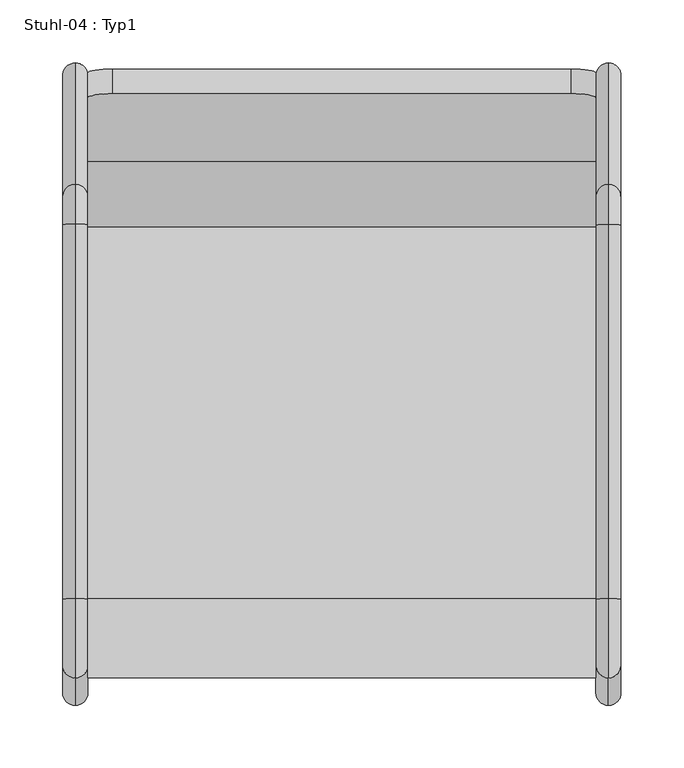
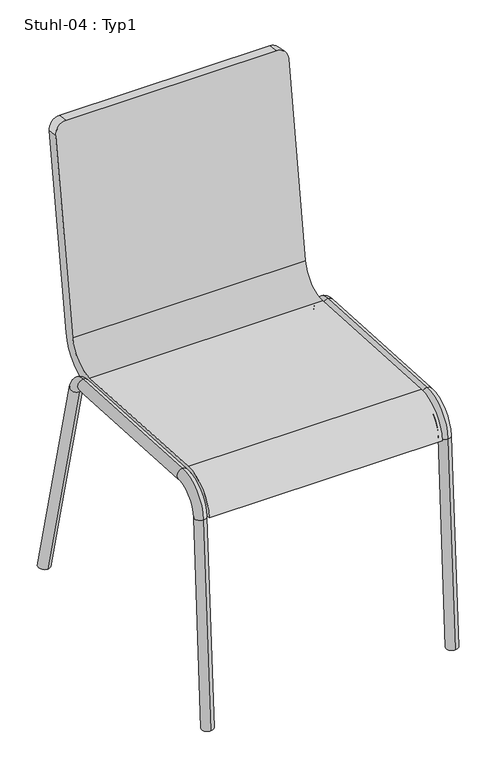
"""IFC4 building model written with IfcOpenShell, lengths in millimetres: furniture geometry, Stuhl-04 : Typ1."""

from ifc_helpers import new_model, si_unit, point, frame, origin, place, context, project, spatial, polyline, circle_curve, ellipse_curve, trimmed, source, transform, mapped, element, save
from ifc_brep_helpers import plane_surface, cylinder_surface, revolved_surface, advanced_brep


def stuhl_04_typ1_6c77dc19(model_context):
    return source(origin(), model_context, "Body", "AdvancedBrep", [
        advanced_brep(
        [(-149.6053, -105.450673, 414.5657988), (-149.6053, -401.4919152, 431.792335), (-149.6053, -464.8760744, 375.3791418), (-149.6053, -444.909849, 374.2173141), (-149.6053, -402.6537429, 411.8261096), (-149.6053, -106.6125007, 394.5995734), (-149.6053, -33.3149934, 454.1347035), (-149.6053, 17.5412109, 794.4215124), (-149.6053, -2.2391064, 797.3777006), (-149.6053, -53.0953107, 457.0908917), (-554.6053, -105.450673, 414.5657988), (-554.6053, -53.0953107, 457.0908917), (-554.6053, -2.2391064, 797.3777006), (-554.6053, 17.5412109, 794.4215124), (-554.6053, -33.3149934, 454.1347035), (-554.6053, -106.6125007, 394.5995734), (-554.6053, -402.6537429, 411.8261096), (-554.6053, -444.909849, 374.2173141), (-554.6053, -464.8760744, 375.3791418), (-554.6053, -401.4919152, 431.792335), (-534.6053, 20.4973991, 814.2018297), (-169.6053, 20.4973991, 814.2018297), (-534.6053, 0.7170819, 817.1580179), (-169.6053, 0.7170819, 817.1580179)],
        [
            (0, 1),
            (1, 2, circle_curve(frame((-149.6053, -404.9773982, 371.8936588), z_axis=(1.0, 0.0, 0.0), x_axis=(0.0, 1.0, 0.0)), 60.0)),
            (2, 3),
            (3, 4, circle_curve(frame((-149.6053, -404.9773982, 371.8936588), z_axis=(-1.0, 0.0, 0.0), x_axis=(0.0, 1.0, 0.0)), 40.0)),
            (4, 5),
            (5, 6, circle_curve(frame((-149.6053, -102.5461039, 464.4813623), z_axis=(1.0, 0.0, 0.0), x_axis=(0.0, 1.0, 0.0)), 70.0)),
            (6, 7),
            (7, 8),
            (8, 9),
            (9, 0, circle_curve(frame((-149.6053, -102.5461039, 464.4813623), z_axis=(-1.0, 0.0, 0.0), x_axis=(0.0, 1.0, 0.0)), 50.0)),
            (10, 11, circle_curve(frame((-554.6053, -102.5461039, 464.4813623), z_axis=(1.0, 0.0, 0.0), x_axis=(0.0, 1.0, 0.0)), 50.0)),
            (11, 12),
            (12, 13),
            (13, 14),
            (14, 15, circle_curve(frame((-554.6053, -102.5461039, 464.4813623), z_axis=(-1.0, 0.0, 0.0), x_axis=(0.0, 1.0, 0.0)), 70.0)),
            (15, 16),
            (16, 17, circle_curve(frame((-554.6053, -404.9773982, 371.8936588), z_axis=(1.0, 0.0, 0.0), x_axis=(0.0, 1.0, 0.0)), 40.0)),
            (17, 18),
            (18, 19, circle_curve(frame((-554.6053, -404.9773982, 371.8936588), z_axis=(-1.0, 0.0, 0.0), x_axis=(0.0, 1.0, 0.0)), 60.0)),
            (19, 10),
            (0, 10),
            (19, 1),
            (18, 2),
            (17, 3),
            (16, 4),
            (15, 5),
            (14, 6),
            (13, 20, circle_curve(frame((-534.6053, 17.5412109, 794.4215124), z_axis=(0.0, 0.9890158633619166, -0.14780941112961252), x_axis=(1.0, 0.0, 0.0)), 20.0)),
            (20, 21),
            (21, 7, circle_curve(frame((-169.6053, 17.5412109, 794.4215124), z_axis=(0.0, 0.9890158633619166, -0.14780941112961252), x_axis=(-1.0, 0.0, 0.0)), 20.0)),
            (20, 22),
            (22, 23),
            (23, 21),
            (11, 9),
            (8, 23, circle_curve(frame((-169.6053, -2.2391064, 797.3777006), z_axis=(0.0, -0.9890158633619166, 0.14780941112961252), x_axis=(-1.0, 0.0, 0.0)), 20.0)),
            (22, 12, circle_curve(frame((-534.6053, -2.2391064, 797.3777006), z_axis=(0.0, -0.9890158633619166, 0.14780941112961252), x_axis=(1.0, 0.0, 0.0)), 20.0)),
        ],
        [
            plane_surface(frame((-149.6053, -399.2468499, 431.6616954), z_axis=(1.0000000000000002, 0.0, 0.0), x_axis=(0.0, -0.9983112697039764, 0.05809138302738736))),
            plane_surface(frame((-554.6053, -399.2468499, 431.6616954), z_axis=(-1.0000000000000002, 0.0, 0.0), x_axis=(0.0, 0.9983112697039764, -0.05809138302738736))),
            plane_surface(frame((-149.6053, -105.450673, 414.5657988), z_axis=(0.0, 0.05809138302738736, 0.9983112697039764), x_axis=(-1.0, 0.0, 0.0))),
            cylinder_surface(frame((-554.6053, -404.9773982, 371.8936588), z_axis=(1.0, 0.0, 0.0), x_axis=(0.0, 1.0, 0.0)), 60.0),
            plane_surface(frame((-149.6053, -464.8760744, 375.3791418), z_axis=(0.0, -0.058091383027390926, -0.9983112697039762), x_axis=(-1.0, 0.0, 0.0))),
            revolved_surface(polyline([(-554.6053, -364.9773982, 371.8936588), (-149.6053, -364.9773982, 371.8936588)]), (-554.6053, -404.9773982, 371.8936588), (-1.0, 0.0, 0.0)),
            plane_surface(frame((-149.6053, -402.6537429, 411.8261096), z_axis=(0.0, -0.05809138302738756, -0.9983112697039763), x_axis=(-1.0, 0.0, 0.0))),
            cylinder_surface(frame((-554.6053, -102.5461039, 464.4813623), z_axis=(1.0, 0.0, 0.0), x_axis=(0.0, 1.0, 0.0)), 70.0),
            plane_surface(frame((-149.6053, -33.3149934, 454.1347035), z_axis=(0.0, 0.9890158633619166, -0.1478094111296125), x_axis=(-1.0, 0.0, 0.0))),
            plane_surface(frame((-149.6053, 20.4973991, 814.2018297), z_axis=(0.0, 0.14780941112961524, 0.9890158633619162), x_axis=(-1.0, 0.0, 0.0))),
            plane_surface(frame((-149.6053, 0.7170819, 817.1580179), z_axis=(0.0, -0.9890158633619166, 0.14780941112961254), x_axis=(-1.0, 0.0, 0.0))),
            revolved_surface(polyline([(-554.6053, -52.546103900000006, 464.4813623), (-149.6053, -52.546103900000006, 464.4813623)]), (-554.6053, -102.5461039, 464.4813623), (-1.0, 0.0, 0.0)),
            cylinder_surface(frame((-534.6053, -2.2391064, 797.3777006), z_axis=(0.0, -0.9890158633619166, 0.14780941112961252), x_axis=(1.0, 0.0, 0.0)), 20.0),
            cylinder_surface(frame((-169.6053, -2.2391064, 797.3777006), z_axis=(0.0, -0.9890158633619166, 0.14780941112961252), x_axis=(-1.0, 0.0, 0.0)), 20.0),
        ],
        [
            (0, [[1, 2, 3, 4, 5, 6, 7, 8, 9, 10]]),
            (1, [[11, 12, 13, 14, 15, 16, 17, 18, 19, 20]]),
            (2, [[-1, 21, -20, 22]]),
            (3, [[-2, -22, -19, 23]]),
            (4, [[-3, -23, -18, 24]]),
            (5, [[-4, -24, -17, 25]]),
            (6, [[-5, -25, -16, 26]]),
            (7, [[-6, -26, -15, 27]]),
            (8, [[-27, -14, 28, 29, 30, -7]]),
            (9, [[-29, 31, 32, 33]]),
            (10, [[34, -9, 35, -32, 36, -12]]),
            (11, [[-10, -34, -11, -21]]),
            (12, [[-13, -36, -31, -28]]),
            (13, [[-8, -30, -33, -35]]),
        ],
    ),
        advanced_brep(
        [(-139.5255992, 4.9530016, 0.0), (-139.5255992, 25.5652742, 0.0), (-129.5255992, -476.7023393, 0.0), (-149.5255992, -476.7023393, 0.0), (-139.5255992, -466.6854234, 0.0), (-139.5255992, -90.5686349, 383.1163586), (-139.5255992, -71.1627204, 387.9547965), (-139.5255992, -104.2517001, 394.4621992), (-139.5255992, -103.0898724, 414.4284246), (-139.5255992, -402.6537429, 411.8261096), (-139.5255992, -401.4919152, 431.792335), (-139.5255992, -444.909849, 374.2173141), (-139.5255992, -464.8760744, 375.3791418), (-139.5255992, -486.685452, 0.5809138)],
        [
            (0, 1, ellipse_curve(frame((-139.5255992, 15.2591379, 0.0), z_axis=(0.0, 0.0, -1.0), x_axis=(0.0, 1.0, 0.0)), 10.3061363, 10.0)),
            (1, 0, ellipse_curve(frame((-139.5255992, 15.2591379, 0.0), z_axis=(0.0, 0.0, -1.0), x_axis=(0.0, 1.0, 0.0)), 10.3061363, 10.0)),
            (2, 3),
            (3, 4, ellipse_curve(frame((-139.5255992, -476.7023393, 0.0), z_axis=(0.0, 0.0, -1.0), x_axis=(0.0, 1.0, 0.0)), 10.0169159, 10.0)),
            (4, 2, ellipse_curve(frame((-139.5255992, -476.7023393, 0.0), z_axis=(0.0, 0.0, -1.0), x_axis=(0.0, 1.0, 0.0)), 10.0169159, 10.0)),
            (5, 6, circle_curve(frame((-139.5255992, -80.8656776, 385.5355776), z_axis=(0.0, 0.24192189559966623, -0.9702957262759968), x_axis=(0.0, 0.9702957262759968, 0.24192189559966623)), 10.0)),
            (6, 1),
            (0, 5),
            (6, 5, circle_curve(frame((-139.5255992, -80.8656776, 385.5355776), z_axis=(0.0, 0.24192189559966623, -0.9702957262759968), x_axis=(0.0, 0.9702957262759968, 0.24192189559966623)), 10.0)),
            (5, 7, circle_curve(frame((-139.5255992, -105.1230708, 379.4875302), z_axis=(1.0, 0.0, 0.0), x_axis=(0.0, 0.9702957262759969, 0.2419218955996659)), 15.0)),
            (7, 8, circle_curve(frame((-139.5255992, -103.6707862, 404.4453119), z_axis=(0.0, 0.998311269703977, -0.058091383027376764), x_axis=(0.0, 0.058091383027376764, 0.998311269703977)), 10.0)),
            (8, 6, circle_curve(frame((-139.5255992, -105.1230708, 379.4875302), z_axis=(-1.0, 0.0, 0.0), x_axis=(0.0, 0.9702957262759969, 0.2419218955996659)), 35.0)),
            (8, 7, circle_curve(frame((-139.5255992, -103.6707862, 404.4453119), z_axis=(0.0, 0.9983112697039765, -0.05809138302738498), x_axis=(0.0, 0.05809138302738498, 0.9983112697039765)), 10.0)),
            (7, 9),
            (9, 10, circle_curve(frame((-139.5255992, -402.0728291, 421.8092223), z_axis=(0.0, 0.9983112697039764, -0.058091383027386895), x_axis=(0.0, 0.058091383027386895, 0.9983112697039764)), 10.0)),
            (10, 8),
            (10, 9, circle_curve(frame((-139.5255992, -402.0728291, 421.8092223), z_axis=(0.0, 0.9983112697039764, -0.058091383027386895), x_axis=(0.0, 0.058091383027386895, 0.9983112697039764)), 10.0)),
            (9, 11, circle_curve(frame((-139.5255992, -404.9773982, 371.8936588), z_axis=(1.0, 0.0, 0.0), x_axis=(0.0, 0.05809138302738633, 0.9983112697039764)), 40.0)),
            (11, 12, circle_curve(frame((-139.5255992, -454.8929617, 374.7982279), z_axis=(0.0, 0.058091383027391474, 0.9983112697039761), x_axis=(0.0, -0.9983112697039761, 0.058091383027391474)), 10.0)),
            (12, 10, circle_curve(frame((-139.5255992, -404.9773982, 371.8936588), z_axis=(-1.0, 0.0, 0.0), x_axis=(0.0, 0.05809138302738633, 0.9983112697039764)), 60.0)),
            (12, 11, circle_curve(frame((-139.5255992, -454.8929617, 374.7982279), z_axis=(0.0, 0.05809138302739081, 0.9983112697039762), x_axis=(0.0, -0.9983112697039762, 0.05809138302739081)), 10.0)),
            (2, 13, circle_curve(frame((-139.5255992, -476.7023393, 0.0), z_axis=(0.0, -0.058091383027392335, -0.9983112697039761), x_axis=(0.0, -0.9983112697039761, 0.058091383027392335)), 10.0)),
            (13, 3, circle_curve(frame((-139.5255992, -476.7023393, 0.0), z_axis=(0.0, -0.058091383027392335, -0.9983112697039761), x_axis=(0.0, -0.9983112697039761, 0.058091383027392335)), 10.0)),
            (11, 4),
            (13, 12),
        ],
        [
            plane_surface(frame((-102.1053, 50.7055201, 0.0), z_axis=(0.0, 0.0, -1.0), x_axis=(-1.0, 0.0, 0.0))),
            cylinder_surface(frame((-139.5255992, 17.8692882, -10.4687411), z_axis=(0.0, 0.24192189559966623, -0.9702957262759968), x_axis=(0.0, 0.9702957262759968, 0.24192189559966623)), 10.0),
            revolved_surface(trimmed(ellipse_curve(frame((-139.5255992, -80.8656776, 385.5355776), z_axis=(0.0, 0.2419218955996659, -0.9702957262759969), x_axis=(0.0, 0.9702957262759969, 0.2419218955996659)), 10.0, 10.0), [point((-139.5255992, -90.5686349, 383.1163586))], [point((-139.5255992, -71.1627204, 387.9547965))], True, "CARTESIAN"), (-159.5255992, -105.1230708, 379.4875302), (1.0, 0.0, 0.0)),
            revolved_surface(trimmed(ellipse_curve(frame((-139.5255992, -80.8656776, 385.5355776), z_axis=(0.0, 0.2419218955996659, -0.9702957262759969), x_axis=(0.0, 0.9702957262759969, 0.2419218955996659)), 10.0, 10.0), [point((-139.5255992, -71.1627204, 387.9547965))], [point((-139.5255992, -90.5686349, 383.1163586))], True, "CARTESIAN"), (-159.5255992, -105.1230708, 379.4875302), (1.0, 0.0, 0.0)),
            cylinder_surface(frame((-139.5255992, -103.6707862, 404.4453119), z_axis=(0.0, 0.9983112697039764, -0.058091383027386895), x_axis=(0.0, 0.058091383027386895, 0.9983112697039764)), 10.0),
            revolved_surface(trimmed(ellipse_curve(frame((-139.5255992, -402.0728291, 421.8092223), z_axis=(0.0, 0.9983112697039764, -0.05809138302738631), x_axis=(0.0, 0.05809138302738631, 0.9983112697039764)), 10.0, 10.0), [point((-139.5255992, -402.6537429, 411.8261096))], [point((-139.5255992, -401.4919152, 431.792335))], True, "CARTESIAN"), (-159.5255992, -404.9773982, 371.8936588), (1.0, 0.0, 0.0)),
            revolved_surface(trimmed(ellipse_curve(frame((-139.5255992, -402.0728291, 421.8092223), z_axis=(0.0, 0.9983112697039764, -0.05809138302738631), x_axis=(0.0, 0.05809138302738631, 0.9983112697039764)), 10.0, 10.0), [point((-139.5255992, -401.4919152, 431.792335))], [point((-139.5255992, -402.6537429, 411.8261096))], True, "CARTESIAN"), (-159.5255992, -404.9773982, 371.8936588), (1.0, 0.0, 0.0)),
            plane_surface(frame((-159.5255992, -476.7023393, 0.0), z_axis=(0.0, -0.058091383027392335, -0.9983112697039761), x_axis=(1.0, 0.0, 0.0))),
            cylinder_surface(frame((-139.5255992, -454.8929617, 374.7982279), z_axis=(0.0, 0.058091383027392335, 0.9983112697039761), x_axis=(0.0, -0.9983112697039761, 0.058091383027392335)), 10.0),
        ],
        [
            (0, [[1, 2]]),
            (0, [[3, 4, 5]]),
            (1, [[6, 7, -1, 8]]),
            (1, [[9, -8, -2, -7]]),
            (2, [[-6, 10, 11, 12]]),
            (3, [[-9, -12, 13, -10]]),
            (4, [[-11, 14, 15, 16]]),
            (4, [[-13, -16, 17, -14]]),
            (5, [[-15, 18, 19, 20]]),
            (6, [[-17, -20, 21, -18]]),
            (7, [[22, 23, -3]]),
            (8, [[-19, 24, -4, -23, 25]]),
            (8, [[-21, -25, -22, -5, -24]]),
        ],
    ),
        advanced_brep(
        [(-554.6850007, -476.7023393, 0.0), (-564.6850007, -486.685452, 0.5809138), (-574.6850007, -476.7023393, 0.0), (-564.6850007, -90.5686349, 383.1163586), (-564.6850007, -71.1627204, 387.9547965), (-564.6850007, 25.5652742, 0.0), (-564.6850007, 4.9530016, 0.0), (-564.6850007, -466.6854234, 0.0), (-564.6850007, -103.0898724, 414.4284246), (-564.6850007, -104.2517001, 394.4621992), (-564.6850007, -402.6537429, 411.8261096), (-564.6850007, -401.4919152, 431.792335), (-564.6850007, -444.909849, 374.2173141), (-564.6850007, -464.8760744, 375.3791418)],
        [
            (0, 1, circle_curve(frame((-564.6850007, -476.7023393, 0.0), z_axis=(0.0, -0.058091383027392335, -0.9983112697039761), x_axis=(0.0, -0.9983112697039761, 0.058091383027392335)), 10.0)),
            (1, 2, circle_curve(frame((-564.6850007, -476.7023393, 0.0), z_axis=(0.0, -0.058091383027392335, -0.9983112697039761), x_axis=(0.0, -0.9983112697039761, 0.058091383027392335)), 10.0)),
            (2, 0),
            (3, 4, circle_curve(frame((-564.6850007, -80.8656776, 385.5355776), z_axis=(0.0, 0.24192189559966623, -0.9702957262759968), x_axis=(0.0, 0.9702957262759968, 0.24192189559966623)), 10.0)),
            (4, 5),
            (5, 6, ellipse_curve(frame((-564.6850007, 15.2591379, 0.0), z_axis=(0.0, 0.0, 1.0), x_axis=(0.0, 1.0, 0.0)), 10.3061363, 10.0)),
            (6, 3),
            (4, 3, circle_curve(frame((-564.6850007, -80.8656776, 385.5355776), z_axis=(0.0, 0.24192189559966623, -0.9702957262759968), x_axis=(0.0, 0.9702957262759968, 0.24192189559966623)), 10.0)),
            (6, 5, ellipse_curve(frame((-564.6850007, 15.2591379, 0.0), z_axis=(0.0, 0.0, 1.0), x_axis=(0.0, 1.0, 0.0)), 10.3061363, 10.0)),
            (2, 7, ellipse_curve(frame((-564.6850007, -476.7023393, 0.0), z_axis=(0.0, 0.0, -1.0), x_axis=(0.0, 1.0, 0.0)), 10.0169159, 10.0)),
            (7, 0, ellipse_curve(frame((-564.6850007, -476.7023393, 0.0), z_axis=(0.0, 0.0, -1.0), x_axis=(0.0, 1.0, 0.0)), 10.0169159, 10.0)),
            (8, 9, circle_curve(frame((-564.6850007, -103.6707862, 404.4453119), z_axis=(0.0, -0.9983112697039764, 0.058091383027386895), x_axis=(0.0, 0.058091383027386895, 0.9983112697039764)), 10.0)),
            (9, 10),
            (10, 11, circle_curve(frame((-564.6850007, -402.0728291, 421.8092223), z_axis=(0.0, 0.9983112697039764, -0.058091383027386895), x_axis=(0.0, 0.058091383027386895, 0.9983112697039764)), 10.0)),
            (11, 8),
            (9, 8, circle_curve(frame((-564.6850007, -103.6707862, 404.4453119), z_axis=(0.0, -0.9983112697039764, 0.058091383027386895), x_axis=(0.0, 0.058091383027386895, 0.9983112697039764)), 10.0)),
            (11, 10, circle_curve(frame((-564.6850007, -402.0728291, 421.8092223), z_axis=(0.0, 0.9983112697039764, -0.058091383027386895), x_axis=(0.0, 0.058091383027386895, 0.9983112697039764)), 10.0)),
            (10, 12, circle_curve(frame((-564.6850007, -404.9773982, 371.8936588), z_axis=(1.0, 0.0, 0.0), x_axis=(0.0, 0.05809138302738633, 0.9983112697039764)), 40.0)),
            (12, 13, circle_curve(frame((-564.6850007, -454.8929617, 374.7982279), z_axis=(0.0, 0.058091383027391474, 0.9983112697039761), x_axis=(0.0, -0.9983112697039761, 0.058091383027391474)), 10.0)),
            (13, 11, circle_curve(frame((-564.6850007, -404.9773982, 371.8936588), z_axis=(-1.0, 0.0, 0.0), x_axis=(0.0, 0.05809138302738633, 0.9983112697039764)), 60.0)),
            (13, 12, circle_curve(frame((-564.6850007, -454.8929617, 374.7982279), z_axis=(0.0, 0.05809138302739081, 0.9983112697039762), x_axis=(0.0, -0.9983112697039762, 0.05809138302739081)), 10.0)),
            (12, 7),
            (1, 13),
            (3, 9, circle_curve(frame((-564.6850007, -105.1230708, 379.4875302), z_axis=(1.0, 0.0, 0.0), x_axis=(0.0, 0.9702957262759969, 0.2419218955996659)), 15.0)),
            (8, 4, circle_curve(frame((-564.6850007, -105.1230708, 379.4875302), z_axis=(-1.0, 0.0, 0.0), x_axis=(0.0, 0.9702957262759969, 0.2419218955996659)), 35.0)),
        ],
        [
            plane_surface(frame((-544.6850007, -476.7023393, 0.0), z_axis=(0.0, -0.058091383027392335, -0.9983112697039761), x_axis=(-1.0, 0.0, 0.0))),
            cylinder_surface(frame((-564.6850007, 17.8692882, -10.4687411), z_axis=(0.0, 0.24192189559966623, -0.9702957262759968), x_axis=(0.0, 0.9702957262759968, 0.24192189559966623)), 10.0),
            plane_surface(frame((-102.1053, 50.7055201, 0.0), z_axis=(0.0, 0.0, -1.0), x_axis=(-1.0, 0.0, 0.0))),
            cylinder_surface(frame((-564.6850007, -103.6707862, 404.4453119), z_axis=(0.0, 0.9983112697039764, -0.058091383027386895), x_axis=(0.0, 0.058091383027386895, 0.9983112697039764)), 10.0),
            revolved_surface(trimmed(ellipse_curve(frame((-564.6850007, -402.0728291, 421.8092223), z_axis=(0.0, 0.9983112697039764, -0.05809138302738631), x_axis=(0.0, 0.05809138302738631, 0.9983112697039764)), 10.0, 10.0), [point((-564.6850007, -402.6537429, 411.8261096))], [point((-564.6850007, -401.4919152, 431.792335))], True, "CARTESIAN"), (-544.6850007, -404.9773982, 371.8936588), (1.0, 0.0, 0.0)),
            revolved_surface(trimmed(ellipse_curve(frame((-564.6850007, -402.0728291, 421.8092223), z_axis=(0.0, 0.9983112697039764, -0.05809138302738631), x_axis=(0.0, 0.05809138302738631, 0.9983112697039764)), 10.0, 10.0), [point((-564.6850007, -401.4919152, 431.792335))], [point((-564.6850007, -402.6537429, 411.8261096))], True, "CARTESIAN"), (-544.6850007, -404.9773982, 371.8936588), (1.0, 0.0, 0.0)),
            cylinder_surface(frame((-564.6850007, -454.8929617, 374.7982279), z_axis=(0.0, 0.058091383027392335, 0.9983112697039761), x_axis=(0.0, -0.9983112697039761, 0.058091383027392335)), 10.0),
            revolved_surface(trimmed(ellipse_curve(frame((-564.6850007, -80.8656776, 385.5355776), z_axis=(0.0, 0.2419218955996659, -0.9702957262759969), x_axis=(0.0, 0.9702957262759969, 0.2419218955996659)), 10.0, 10.0), [point((-564.6850007, -90.5686349, 383.1163586))], [point((-564.6850007, -71.1627204, 387.9547965))], True, "CARTESIAN"), (-544.6850007, -105.1230708, 379.4875302), (1.0, 0.0, 0.0)),
            revolved_surface(trimmed(ellipse_curve(frame((-564.6850007, -80.8656776, 385.5355776), z_axis=(0.0, 0.2419218955996659, -0.9702957262759969), x_axis=(0.0, 0.9702957262759969, 0.2419218955996659)), 10.0, 10.0), [point((-564.6850007, -71.1627204, 387.9547965))], [point((-564.6850007, -90.5686349, 383.1163586))], True, "CARTESIAN"), (-544.6850007, -105.1230708, 379.4875302), (1.0, 0.0, 0.0)),
        ],
        [
            (0, [[1, 2, 3]]),
            (1, [[4, 5, 6, 7]]),
            (1, [[8, -7, 9, -5]]),
            (2, [[-3, 10, 11]]),
            (2, [[-6, -9]]),
            (3, [[12, 13, 14, 15]]),
            (3, [[16, -15, 17, -13]]),
            (4, [[-14, 18, 19, 20]]),
            (5, [[-17, -20, 21, -18]]),
            (6, [[-19, 22, -10, -2, 23]]),
            (6, [[-21, -23, -1, -11, -22]]),
            (7, [[-4, 24, -12, 25]]),
            (8, [[-8, -25, -16, -24]]),
        ],
    ),
    ])


if __name__ == "__main__":
    model = new_model("IFC4")
    model_context = context("Model", 3, world=origin())
    ifc_project = project(units=[si_unit("LENGTHUNIT", "METRE", prefix="MILLI")], contexts=[model_context])
    site = spatial("IfcSite", under=ifc_project)
    building = spatial("IfcBuilding", under=site)
    placement = place(None, origin())
    stuhl_04_typ1_shape = stuhl_04_typ1_6c77dc19(model_context)
    element("IfcFurniture", 1, ObjectType="Stuhl-04 : Typ1", at=placement, inside=building, context=model_context, shape_type="MappedRepresentation", body=[
        mapped(stuhl_04_typ1_shape, transform((0.0, 0.0, 0.0), x_axis=(1.0, 0.0, 0.0), y_axis=(0.0, 1.0, 0.0), z_axis=(0.0, 0.0, 1.0))),
    ])
    save(model, "model.ifc")
